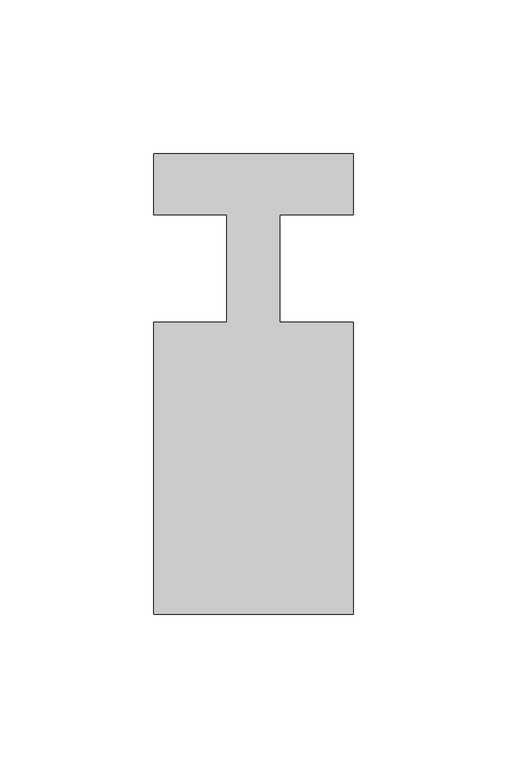
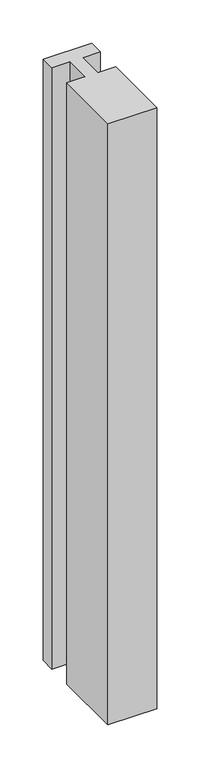
"""IFC4 building model written with IfcOpenShell, lengths in millimetres: member geometry."""

from ifc_helpers import new_model, si_unit, frame, origin, place, context, project, spatial, polyline, outline, extrude, source, transform, mapped, element, save


def member_27bb31cb(model_context):
    return source(origin(), model_context, "Body", "SweptSolid", [
        extrude(outline(polyline([(0.0, 37.0), (0.0, 17.0), (-23.8125, 17.0), (-23.8125, -18.0), (0.0, -18.0), (0.0, -113.0), (-65.0, -113.0), (-65.0, -18.0), (-41.1875, -18.0), (-41.1875, 17.0), (-65.0, 17.0), (-65.0, 37.0), (0.0, 37.0)])), frame((0.0, 0.0, -850.0), z_axis=(0.0, 0.0, 1.0), x_axis=(1.0, 0.0, 0.0)), (0.0, 0.0, 1.0), 850.0),
    ])


if __name__ == "__main__":
    model = new_model("IFC4")
    model_context = context("Model", 3, world=origin())
    ifc_project = project(units=[si_unit("LENGTHUNIT", "METRE", prefix="MILLI")], contexts=[model_context])
    site = spatial("IfcSite", under=ifc_project)
    building = spatial("IfcBuilding", under=site)
    placement = place(None, origin())
    member_shape = member_27bb31cb(model_context)
    element("IfcMember", 1, at=placement, inside=building, context=model_context, shape_type="MappedRepresentation", body=[
        mapped(member_shape, transform((0.0, 0.0, 0.0), x_axis=(1.0, 0.0, 0.0), y_axis=(0.0, 1.0, 0.0), z_axis=(0.0, 0.0, 1.0))),
    ])
    save(model, "model.ifc")
